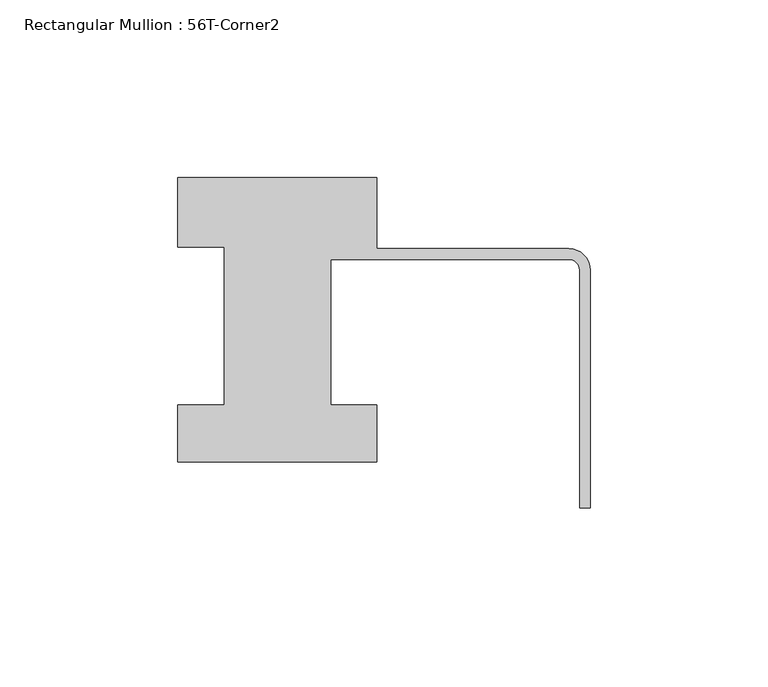
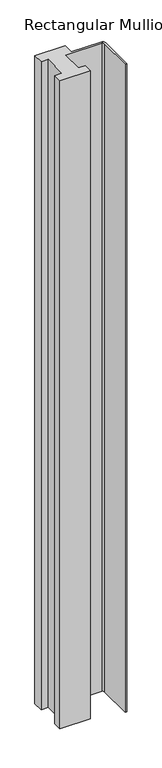
"""IFC4 building model written with IfcOpenShell, lengths in millimetres: member geometry, Rectangular Mullion : 56T-Corner2."""

from ifc_helpers import new_model, si_unit, point, frame, frame_2d, origin, place, context, project, spatial, polyline, circle_curve, trimmed, segment, composite_curve, outline, extrude, source, transform, mapped, element, save


def rectangular_mullion_56t_corner2_8a58af9d(model_context):
    return source(origin(), model_context, "Body", "SweptSolid", [
        extrude(outline(composite_curve([segment(polyline([(-116.0, 20.0), (-60.0, 20.0), (-60.0, 0.0), (-6.0, 0.0)]), True, "CONTINUOUS"), segment(trimmed(circle_curve(frame_2d((-6.0, -6.0)), 6.0), [point((-6.0, 0.0))], [point((0.0, -6.0))], False, "CARTESIAN"), True, "CONTINUOUS"), segment(polyline([(0.0, -6.0), (0.0, -73.0), (-3.0, -73.0), (-3.0, -6.0)]), True, "CONTINUOUS"), segment(trimmed(circle_curve(frame_2d((-6.0, -6.0)), 3.0), [point((-3.0, -6.0))], [point((-6.0, -3.0))], True, "CARTESIAN"), True, "CONTINUOUS"), segment(polyline([(-6.0, -3.0), (-73.0, -3.0), (-73.0, -44.0), (-60.0, -44.0), (-60.0, -60.0), (-116.0, -60.0), (-116.0, -44.0), (-103.0, -44.0), (-103.0, 0.5), (-116.0, 0.5), (-116.0, 20.0)]), True, "CONTINUOUS")], self_intersect=False)), frame((0.0, 0.0, -1266.465707), z_axis=(0.0, 0.0, 1.0), x_axis=(1.0, 0.0, 0.0)), (0.0, 0.0, 1.0), 1266.465707),
    ])


if __name__ == "__main__":
    model = new_model("IFC4")
    model_context = context("Model", 3, world=origin())
    ifc_project = project(units=[si_unit("LENGTHUNIT", "METRE", prefix="MILLI")], contexts=[model_context])
    site = spatial("IfcSite", under=ifc_project)
    building = spatial("IfcBuilding", under=site)
    placement = place(None, origin())
    rectangular_mullion_56t_corner2_shape = rectangular_mullion_56t_corner2_8a58af9d(model_context)
    element("IfcMember", 1, ObjectType="Rectangular Mullion : 56T-Corner2", at=placement, inside=building, context=model_context, shape_type="MappedRepresentation", body=[
        mapped(rectangular_mullion_56t_corner2_shape, transform((0.0, 0.0, 0.0), x_axis=(1.0, 0.0, 0.0), y_axis=(0.0, 1.0, 0.0), z_axis=(0.0, 0.0, 1.0))),
    ])
    save(model, "model.ifc")
